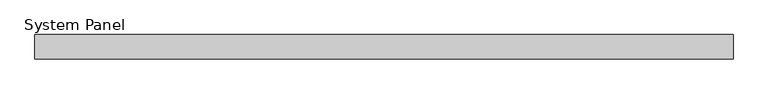
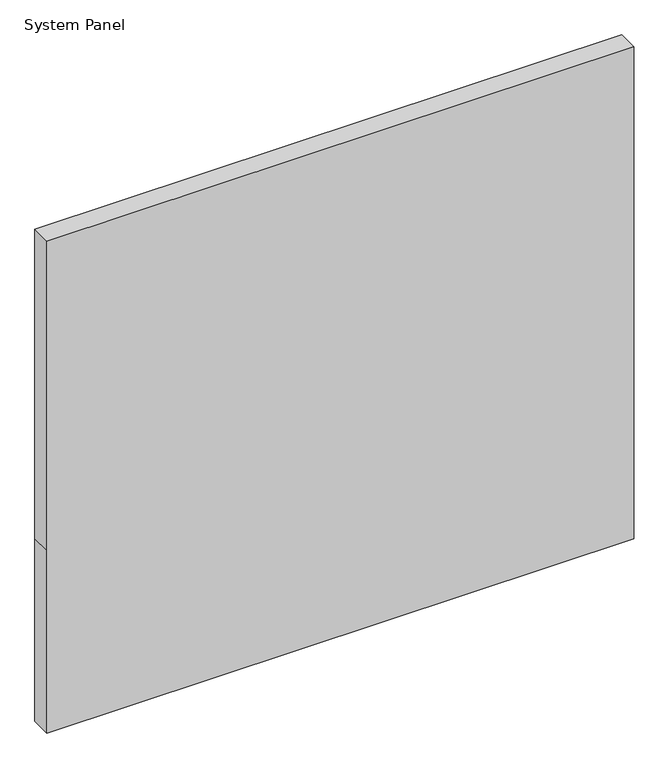
"""IFC4 building model written with IfcOpenShell, lengths in millimetres: plate geometry, System Panel."""

from ifc_helpers import new_model, si_unit, frame, origin, place, context, project, spatial, polyline, outline, extrude, source, transform, mapped, element, save


def system_panel_aec3ed8c(model_context):
    return source(origin(), model_context, "Body", "SweptSolid", [
        extrude(outline(polyline([(0.0, -570.0), (0.0, 570.0), (375.0, 570.0), (1010.0, 570.0), (1010.0, -570.0), (375.0, -570.0), (0.0, -570.0)])), frame((0.0, -54.0, 0.0), z_axis=(0.0, 1.0, 0.0), x_axis=(0.0, 0.0, 1.0)), (0.0, 0.0, 1.0), 40.0),
    ])


if __name__ == "__main__":
    model = new_model("IFC4")
    model_context = context("Model", 3, world=origin())
    ifc_project = project(units=[si_unit("LENGTHUNIT", "METRE", prefix="MILLI")], contexts=[model_context])
    site = spatial("IfcSite", under=ifc_project)
    building = spatial("IfcBuilding", under=site)
    placement = place(None, origin())
    system_panel_shape = system_panel_aec3ed8c(model_context)
    element("IfcPlate", 1, ObjectType="System Panel", at=placement, inside=building, context=model_context, shape_type="MappedRepresentation", body=[
        mapped(system_panel_shape, transform((0.0, 0.0, 0.0), x_axis=(1.0, 0.0, 0.0), y_axis=(0.0, 1.0, 0.0), z_axis=(0.0, 0.0, 1.0))),
    ])
    save(model, "model.ifc")
